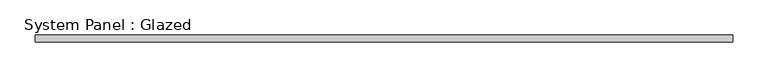
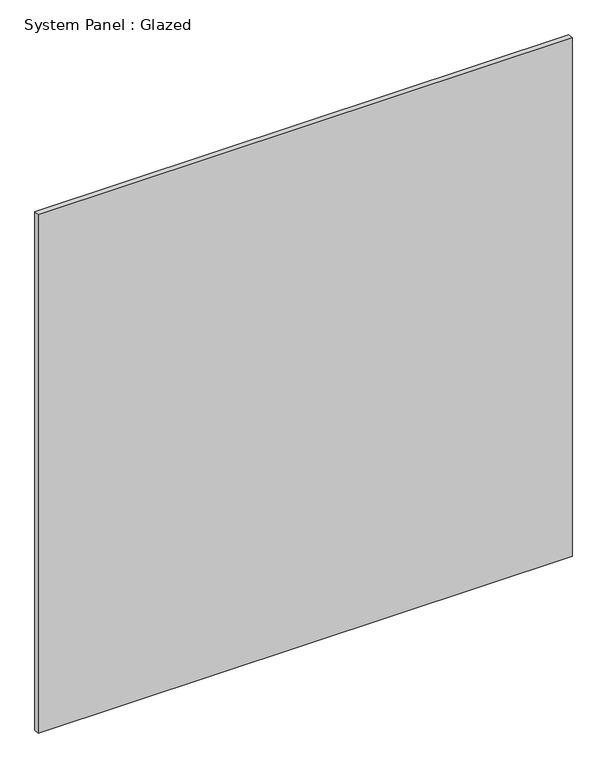
"""IFC4 building model written with IfcOpenShell, lengths in millimetres: plate geometry, System Panel : Glazed."""

from ifc_helpers import new_model, si_unit, origin, origin_with_axes, place, context, project, spatial, polyline, outline, extrude, source, transform, mapped, element, save


def system_panel_glazed_63abff83(model_context):
    return source(origin(), model_context, "Body", "SweptSolid", [
        extrude(outline(polyline([(497.0833334, -5.0), (-497.0833334, -5.0), (-497.0833334, 5.0), (497.0833334, 5.0), (497.0833334, -5.0)])), origin_with_axes(), (0.0, 0.0, 1.0), 1020.0),
    ])


if __name__ == "__main__":
    model = new_model("IFC4")
    model_context = context("Model", 3, world=origin())
    ifc_project = project(units=[si_unit("LENGTHUNIT", "METRE", prefix="MILLI")], contexts=[model_context])
    site = spatial("IfcSite", under=ifc_project)
    building = spatial("IfcBuilding", under=site)
    placement = place(None, origin())
    system_panel_glazed_shape = system_panel_glazed_63abff83(model_context)
    element("IfcPlate", 1, ObjectType="System Panel : Glazed", at=placement, inside=building, context=model_context, shape_type="MappedRepresentation", body=[
        mapped(system_panel_glazed_shape, transform((0.0, 0.0, 0.0), x_axis=(1.0, 0.0, 0.0), y_axis=(0.0, 1.0, 0.0), z_axis=(0.0, 0.0, 1.0))),
    ])
    save(model, "model.ifc")
